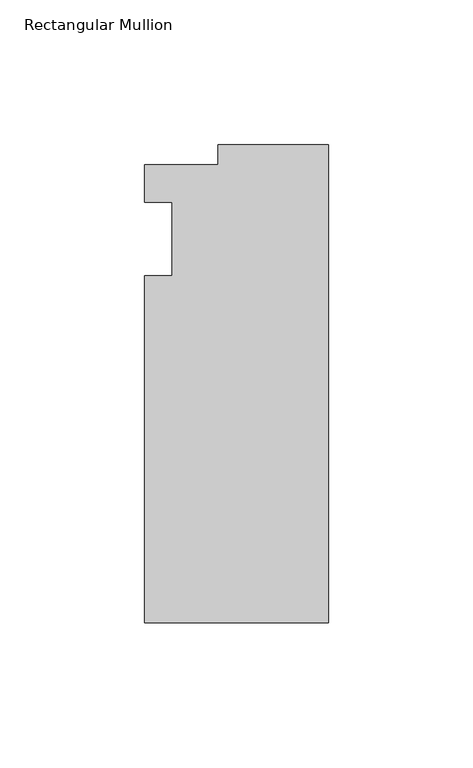
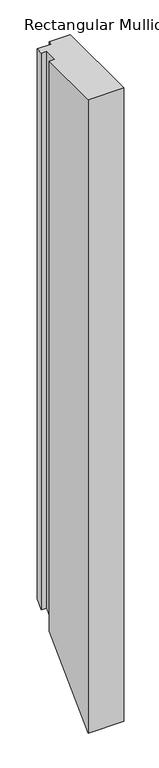
"""IFC4 building model written with IfcOpenShell, lengths in millimetres: member geometry, Rectangular Mullion."""

from ifc_helpers import new_model, si_unit, origin, place, context, project, spatial, faceted_brep, source, transform, mapped, element, save


def rectangular_mullion_da8ef5b6(model_context):
    return source(origin(), model_context, "Body", "Brep", [
        faceted_brep([(-38.1, 32.54375, 0.0), (-38.1, 25.58415, 0.0), (-63.5, 25.58415, 0.0), (-63.5, 12.7, 0.0), (-53.975, 12.7, 0.0), (-53.975, -12.7, 0.0), (-63.5, -12.7, 0.0), (-63.5, -132.55625, 0.0), (0.0, -132.55625, 0.0), (0.0, 32.54375, 0.0), (-38.1, 32.54375, -1034.25625), (-38.1, 25.58415, -1041.21585), (-63.5, 25.58415, -1041.21585), (-63.5, 12.7, -1054.1), (-53.975, 12.7, -1054.1), (-53.975, -12.7, -1079.5), (-63.5, -12.7, -1079.5), (-63.5, -132.55625, -1199.35625), (0.0, -132.55625, -1199.35625), (0.0, 32.54375, -1034.25625)], [[[0, 1, 2, 3, 4, 5, 6, 7, 8, 9]], [[1, 0, 10, 11]], [[2, 1, 11, 12]], [[3, 2, 12, 13]], [[4, 3, 13, 14]], [[5, 4, 14, 15]], [[6, 5, 15, 16]], [[7, 6, 16, 17]], [[8, 7, 17, 18]], [[9, 8, 18, 19]], [[0, 9, 19, 10]], [[10, 19, 18, 17, 16, 15, 14, 13, 12, 11]]]),
    ])


if __name__ == "__main__":
    model = new_model("IFC4")
    model_context = context("Model", 3, world=origin())
    ifc_project = project(units=[si_unit("LENGTHUNIT", "METRE", prefix="MILLI")], contexts=[model_context])
    site = spatial("IfcSite", under=ifc_project)
    building = spatial("IfcBuilding", under=site)
    placement = place(None, origin())
    rectangular_mullion_shape = rectangular_mullion_da8ef5b6(model_context)
    element("IfcMember", 1, ObjectType="Rectangular Mullion", at=placement, inside=building, context=model_context, shape_type="MappedRepresentation", body=[
        mapped(rectangular_mullion_shape, transform((0.0, 0.0, 0.0), x_axis=(1.0, 0.0, 0.0), y_axis=(0.0, 1.0, 0.0), z_axis=(0.0, 0.0, 1.0))),
    ])
    save(model, "model.ifc")
